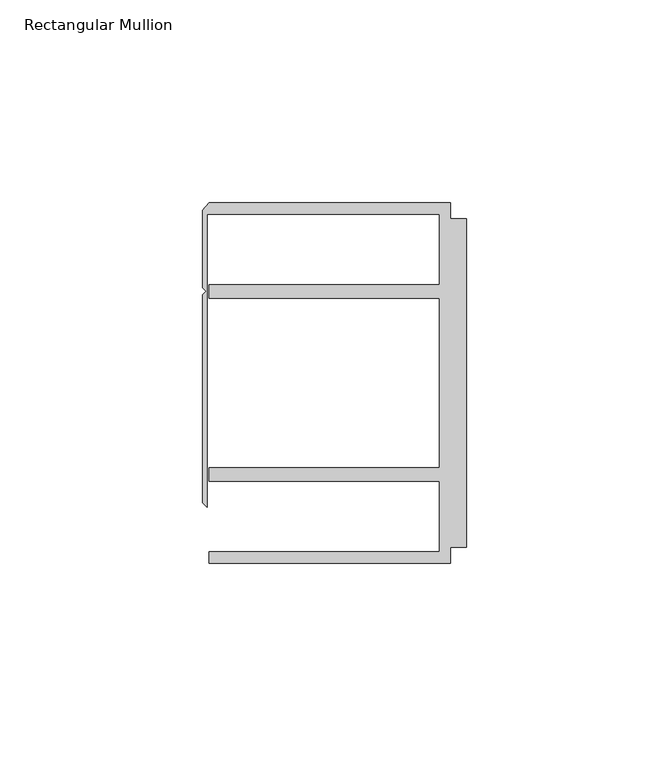
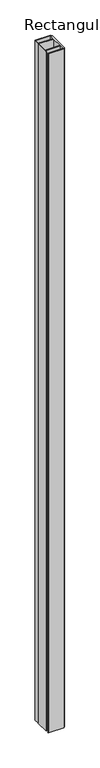
"""IFC4 building model written with IfcOpenShell, lengths in millimetres: member geometry, Rectangular Mullion."""

from ifc_helpers import new_model, si_unit, frame, origin, place, context, project, spatial, polyline, outline, extrude, source, transform, mapped, element, save


def rectangular_mullion_03ffc23c(model_context):
    return source(origin(), model_context, "Body", "SweptSolid", [
        extrude(outline(polyline([(-4.0000001, 44.45), (-4.0000001, 40.4500013), (0.0, 40.4500013), (0.0, -40.4500013), (-4.0000001, -40.4500013), (-4.0000001, -44.45), (-63.5, -44.45), (-63.5, -41.6500013), (-6.6000002, -41.6500013), (-6.6000002, -24.2500008), (-63.5, -24.2500008), (-63.5, -20.9500007), (-6.6000002, -20.9500007), (-6.6000002, 20.9500007), (-63.5, 20.9500007), (-63.5, 24.2500008), (-6.6000002, 24.2500008), (-6.6000002, 41.6500013), (-63.9424102, 41.6500013), (-63.9424102, -30.6159585), (-65.0875, -29.4708687), (-65.0875, 21.7153948), (-64.1791674, 22.6237274), (-65.0875, 23.53206), (-65.0875, 42.5778955), (-63.5, 44.45), (-4.0000001, 44.45)])), frame((0.0, 0.0, -2743.2), z_axis=(0.0, 0.0, 1.0), x_axis=(1.0, 0.0, 0.0)), (0.0, 0.0, 1.0), 2743.2),
    ])


if __name__ == "__main__":
    model = new_model("IFC4")
    model_context = context("Model", 3, world=origin())
    ifc_project = project(units=[si_unit("LENGTHUNIT", "METRE", prefix="MILLI")], contexts=[model_context])
    site = spatial("IfcSite", under=ifc_project)
    building = spatial("IfcBuilding", under=site)
    placement = place(None, origin())
    rectangular_mullion_shape = rectangular_mullion_03ffc23c(model_context)
    element("IfcMember", 1, ObjectType="Rectangular Mullion", at=placement, inside=building, context=model_context, shape_type="MappedRepresentation", body=[
        mapped(rectangular_mullion_shape, transform((0.0, 0.0, 0.0), x_axis=(1.0, 0.0, 0.0), y_axis=(0.0, 1.0, 0.0), z_axis=(0.0, 0.0, 1.0))),
    ])
    save(model, "model.ifc")
